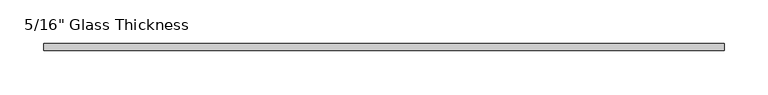
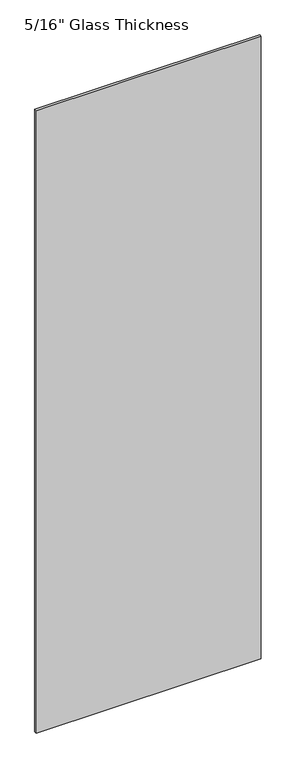
"""IFC4 building model written with IfcOpenShell, lengths in millimetres: plate geometry."""

import ifcopenshell
import ifcopenshell.guid

model = None  # the IFC model being written
_history = None  # IfcOwnerHistory: only IFC2X3 demands one
_inside = {}  # id of a spatial element -> (the spatial element, [elements in it])
_under = {}  # id of a project, library or spatial element -> (it, [spatial elements below it])
_declared = {}  # id of a project -> (the project, [libraries it declares])
_typed = {}  # id of a type object -> (the type object, [elements of that type])
_made_of = {}  # id of a material, layer set ... -> (it, [elements and type objects made of it])


def new_model(schema):
    """Start an empty IFC model of exactly this schema.

    Asked for "IFC4X3", IfcOpenShell would pick the latest addendum, in which some entities
    have other attributes; the version numbers below select the first issue.
    IFC2X3 requires an IfcOwnerHistory on every rooted entity: one is made here for all.
    """
    global model, _history
    if schema == "IFC4X3":
        model = ifcopenshell.file(schema_version=(4, 3, 0, 0))
    else:
        model = ifcopenshell.file(schema=schema)
    _inside.clear()
    _under.clear()
    _declared.clear()
    _typed.clear()
    _made_of.clear()
    _history = None
    if model.schema == "IFC2X3":
        org = make("IfcOrganization", Name="unknown")
        user = make(
            "IfcPersonAndOrganization",
            ThePerson=make("IfcPerson", FamilyName="unknown"),
            TheOrganization=org,
        )
        app = make(
            "IfcApplication",
            ApplicationDeveloper=org,
            Version="unknown",
            ApplicationFullName="unknown",
            ApplicationIdentifier="unknown",
        )
        _history = make(
            "IfcOwnerHistory",
            OwningUser=user,
            OwningApplication=app,
            ChangeAction="ADDED",
            CreationDate=0,
        )
    return model


def make(cls, **values):
    """One entity of the class cls with the attributes given. An attribute that is None is left unset."""
    return model.create_entity(
        cls, **{name: value for name, value in values.items() if value is not None}
    )


def rooted(cls, **values):
    """An entity with a GlobalId (a new one), such as an element, a storey or a relation."""
    return make(cls, GlobalId=ifcopenshell.guid.new(), OwnerHistory=_history, **values)


def si_unit(unit_type, name, prefix=None):
    """IfcSIUnit, for example si_unit("LENGTHUNIT", "METRE", prefix="MILLI")."""
    return make("IfcSIUnit", UnitType=unit_type, Prefix=prefix, Name=name)


def assignment(units):
    """IfcUnitAssignment: the units of a project."""
    return None if units is None else make("IfcUnitAssignment", Units=units)


def point(xyz):
    """IfcCartesianPoint."""
    return None if xyz is None else make("IfcCartesianPoint", Coordinates=xyz)


def direction(xyz):
    """IfcDirection."""
    return None if xyz is None else make("IfcDirection", DirectionRatios=xyz)


def frame(location, z_axis=None, x_axis=None):
    """IfcAxis2Placement3D, a coordinate frame: its origin and axes. An axis left out is left unset."""
    return make(
        "IfcAxis2Placement3D",
        Location=point(location),
        Axis=direction(z_axis),
        RefDirection=direction(x_axis),
    )


def origin():
    """The frame at (0, 0, 0) with its axes left unset."""
    return frame((0.0, 0.0, 0.0))


def origin_with_axes():
    """The frame at (0, 0, 0) with the z axis (0, 0, 1) and the x axis (1, 0, 0) written out."""
    return frame((0.0, 0.0, 0.0), z_axis=(0.0, 0.0, 1.0), x_axis=(1.0, 0.0, 0.0))


def place(relative_to, where):
    """IfcLocalPlacement: puts the frame where relative to a parent placement (None: the world)."""
    return make(
        "IfcLocalPlacement", PlacementRelTo=relative_to, RelativePlacement=where
    )


def context(
    kind, dimensions, precision=None, world=None, true_north=None, identifier=None
):
    """IfcGeometricRepresentationContext, for example the 3D "Model" context."""
    return make(
        "IfcGeometricRepresentationContext",
        ContextIdentifier=identifier,
        ContextType=kind,
        CoordinateSpaceDimension=dimensions,
        Precision=precision,
        WorldCoordinateSystem=world,
        TrueNorth=true_north,
    )


def project(units=None, contexts=None):
    """IfcProject with its units and contexts."""
    return rooted(
        "IfcProject",
        Name="project",
        RepresentationContexts=contexts,
        UnitsInContext=assignment(units),
    )


def spatial(cls, under=None, at=None, **own):
    """A site, building, storey or space (cls), placed at a placement, below another one or the project."""
    s = rooted(cls, ObjectPlacement=at, **own)
    if under is not None:
        _under.setdefault(under.id(), (under, []))[1].append(s)
    return s


def polyline(points):
    """IfcPolyline through the points."""
    return make("IfcPolyline", Points=[point(p) for p in points])


def outline(outer, holes=None, kind="AREA"):
    """IfcArbitraryClosedProfileDef: a profile drawn as a closed curve; with holes, ...WithVoids."""
    if holes is None:
        return make("IfcArbitraryClosedProfileDef", ProfileType=kind, OuterCurve=outer)
    return make(
        "IfcArbitraryProfileDefWithVoids",
        ProfileType=kind,
        OuterCurve=outer,
        InnerCurves=holes,
    )


def extrude(swept, where, along, depth):
    """IfcExtrudedAreaSolid: the profile swept, set in the frame where, extruded along a direction by depth."""
    return make(
        "IfcExtrudedAreaSolid",
        SweptArea=swept,
        Position=where,
        ExtrudedDirection=direction(along),
        Depth=depth,
    )


def shape(context_of_items, identifier, shape_type, items):
    """IfcShapeRepresentation: the items that make up one representation, for example the "Body"."""
    return make(
        "IfcShapeRepresentation",
        ContextOfItems=context_of_items,
        RepresentationIdentifier=identifier,
        RepresentationType=shape_type,
        Items=items,
    )


def source(mapping_origin, context_of_items, identifier, shape_type, items):
    """IfcRepresentationMap: a shape defined once, which mapped items show again and again."""
    return make(
        "IfcRepresentationMap",
        MappingOrigin=mapping_origin,
        MappedRepresentation=shape(context_of_items, identifier, shape_type, items),
    )


def transform(
    local_origin,
    x_axis=None,
    y_axis=None,
    z_axis=None,
    scale=None,
    scale2=None,
    scale3=None,
    uniform=True,
):
    """IfcCartesianTransformationOperator3D, or its non-uniform kind. x_axis, y_axis, z_axis: its Axis1, 2, 3."""
    if uniform:
        return make(
            "IfcCartesianTransformationOperator3D",
            Axis1=direction(x_axis),
            Axis2=direction(y_axis),
            LocalOrigin=point(local_origin),
            Scale=scale,
            Axis3=direction(z_axis),
        )
    return make(
        "IfcCartesianTransformationOperator3DnonUniform",
        Axis1=direction(x_axis),
        Axis2=direction(y_axis),
        LocalOrigin=point(local_origin),
        Scale=scale,
        Axis3=direction(z_axis),
        Scale2=scale2,
        Scale3=scale3,
    )


def mapped(mapping_source, mapping_target):
    """IfcMappedItem: shows the shape of a source again, moved by a transform."""
    return make(
        "IfcMappedItem", MappingSource=mapping_source, MappingTarget=mapping_target
    )


def made_of(thing, what):
    """Note that an element or type object is made of a material, layer set ...; save() writes the relation."""
    if what is not None:
        _made_of.setdefault(what.id(), (what, []))[1].append(thing)
    return thing


def element(
    cls,
    number,
    at=None,
    inside=None,
    cuts=None,
    type_object=None,
    material=None,
    context=None,
    identifier="Body",
    shape_type=None,
    held_by="IfcProductDefinitionShape",
    body=None,
    shapes=None,
    **own,
):
    """One element of the class cls, such as IfcWall. Its Tag is "e" and its number.

    at: its placement. inside: the storey or other place that contains it. cuts: it is an
    opening in that element (IfcRelVoidsElement). A single representation is given by context,
    identifier, shape_type and body (its items); several are given by shapes. held_by: the class
    of the entity that holds the representations. save() writes the other relations.
    """
    e = rooted(cls, Tag="e%d" % number, ObjectPlacement=at, **own)
    if body is not None:
        shapes = [shape(context, identifier, shape_type, body)]
    if shapes is not None:
        e.Representation = make(held_by, Representations=shapes)
    if inside is not None:
        _inside.setdefault(inside.id(), (inside, []))[1].append(e)
    if cuts is not None:
        rooted(
            "IfcRelVoidsElement", RelatingBuildingElement=cuts, RelatedOpeningElement=e
        )
    if type_object is not None:
        _typed.setdefault(type_object.id(), (type_object, []))[1].append(e)
    return made_of(e, material)


def aggregate(whole, parts):
    """IfcRelAggregates: a whole, such as a stair, and the parts it consists of."""
    return rooted("IfcRelAggregates", RelatingObject=whole, RelatedObjects=parts)


def save(model, path):
    """Write the relations noted so far, then the file.

    IfcRelAggregates (storeys below a building ...), IfcRelContainedInSpatialStructure (elements
    in a storey), IfcRelDefinesByType, IfcRelAssociatesMaterial and IfcRelDeclares: one each for
    every whole, place, type object, material and project.
    """
    for whole, parts in _under.values():
        aggregate(whole, parts)
    for where, things in _inside.values():
        rooted(
            "IfcRelContainedInSpatialStructure",
            RelatedElements=things,
            RelatingStructure=where,
        )
    for kind, things in _typed.values():
        rooted("IfcRelDefinesByType", RelatedObjects=things, RelatingType=kind)
    for what, things in _made_of.values():
        rooted("IfcRelAssociatesMaterial", RelatedObjects=things, RelatingMaterial=what)
    for by, libraries in _declared.values():
        rooted("IfcRelDeclares", RelatingContext=by, RelatedDefinitions=libraries)
    model.write(path)


def plate_98dc3f1e(model_context):
    return source(origin(), model_context, "Body", "SweptSolid", [
        extrude(outline(polyline([(388.0, 0.0), (-388.0, 0.0), (-388.0, 8.0), (388.0, 8.0), (388.0, 0.0)])), origin_with_axes(), (0.0, 0.0, 1.0), 2267.0),
    ])


if __name__ == "__main__":
    model = new_model("IFC4")
    model_context = context("Model", 3, world=origin())
    ifc_project = project(units=[si_unit("LENGTHUNIT", "METRE", prefix="MILLI")], contexts=[model_context])
    site = spatial("IfcSite", under=ifc_project)
    building = spatial("IfcBuilding", under=site)
    placement = place(None, origin())
    plate_shape = plate_98dc3f1e(model_context)
    element("IfcPlate", 1, ObjectType="5/16\" Glass Thickness", at=placement, inside=building, context=model_context, shape_type="MappedRepresentation", body=[
        mapped(plate_shape, transform((0.0, 0.0, 0.0), x_axis=(1.0, 0.0, 0.0), y_axis=(0.0, 1.0, 0.0), z_axis=(0.0, 0.0, 1.0))),
    ])
    save(model, "model.ifc")
